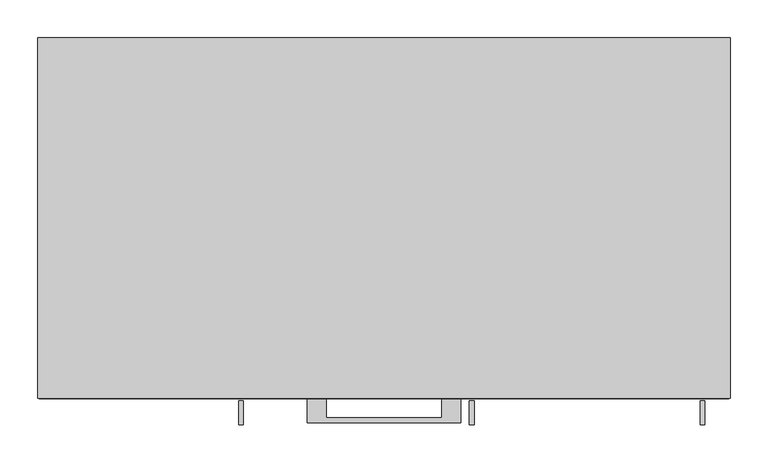
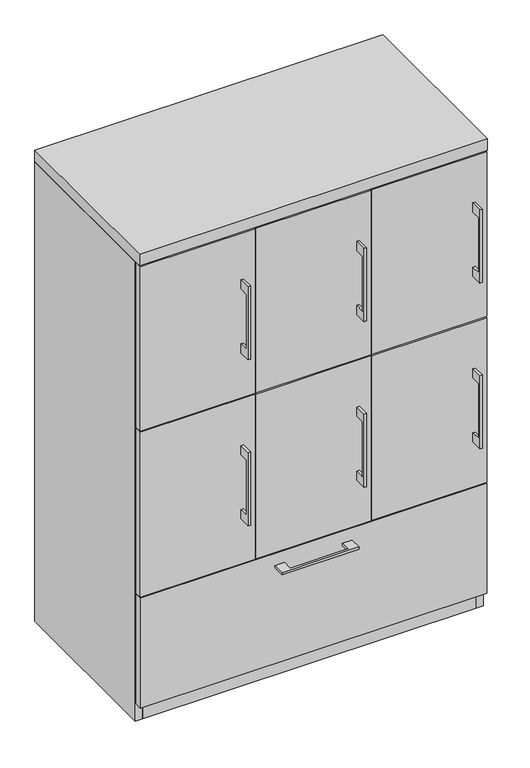
"""IFC4 building model written with IfcOpenShell, lengths in millimetres: furniture geometry."""

from ifc_helpers import new_model, si_unit, frame, origin, origin_with_axes, place, context, project, spatial, polyline, outline, extrude, source, transform, mapped, element, save


def furniture_930078ac(model_context):
    return source(origin(), model_context, "Body", "SweptSolid", [
        extrude(outline(polyline([(-479.425, 660.4), (-504.8249758, 660.4), (-504.8249758, 508.0), (-479.425, 508.0), (-479.425, 482.6), (-511.1749879, 482.6), (-511.1749879, 685.8), (-479.425, 685.8), (-479.425, 660.4)])), frame((112.7125121, 0.0, 0.0), z_axis=(1.0, 0.0, 0.0), x_axis=(0.0, 1.0, 0.0)), (0.0, 0.0, 1.0), 6.3499758),
        extrude(outline(polyline([(150.8125, -476.25), (-150.8125, -476.25), (-150.8125, -457.2), (150.8125, -457.2), (150.8125, -476.25)])), frame((0.0, 0.0, 355.6), z_axis=(0.0, 0.0, 1.0), x_axis=(1.0, 0.0, 0.0)), (0.0, 0.0, 1.0), 457.2),
        extrude(outline(polyline([(-479.425, 1120.775), (-504.8249758, 1120.775), (-504.8249758, 968.375), (-479.425, 968.375), (-479.425, 942.975), (-511.1749879, 942.975), (-511.1749879, 1146.175), (-479.425, 1146.175), (-479.425, 1120.775)])), frame((112.7125121, 0.0, 0.0), z_axis=(1.0, 0.0, 0.0), x_axis=(0.0, 1.0, 0.0)), (0.0, 0.0, 1.0), 6.3499758),
        extrude(outline(polyline([(150.8125, -476.25), (-150.8125, -476.25), (-150.8125, -457.2), (150.8125, -457.2), (150.8125, -476.25)])), frame((0.0, 0.0, 815.975), z_axis=(0.0, 0.0, 1.0), x_axis=(1.0, 0.0, 0.0)), (0.0, 0.0, 1.0), 457.2),
        extrude(outline(polyline([(-76.1999818, -476.25), (-76.1999818, -501.6499758), (76.2, -501.6499758), (76.2, -476.25), (101.5999939, -476.25), (101.5999939, -507.9999879), (-101.5999939, -507.9999879), (-101.5999939, -476.25), (-76.1999818, -476.25)])), frame((0.0, 0.0, 312.7375506), z_axis=(0.0, 0.0, 1.0), x_axis=(1.0, 0.0, 0.0)), (0.0, 0.0, 1.0), 6.3499758),
        extrude(outline(polyline([(455.6125, -457.2), (455.6125, -476.25), (-455.6125, -476.25), (-455.6125, -457.2), (455.6125, -457.2)])), frame((0.0, 0.0, 47.625), z_axis=(0.0, 0.0, 1.0), x_axis=(1.0, 0.0, 0.0)), (0.0, 0.0, 1.0), 304.8),
        extrude(outline(polyline([(-479.425, 1120.775), (-504.8249758, 1120.775), (-504.8249758, 968.375), (-479.425, 968.375), (-479.425, 942.975), (-511.1749879, 942.975), (-511.1749879, 1146.175), (-479.425, 1146.175), (-479.425, 1120.775)])), frame((417.5125121, 0.0, 0.0), z_axis=(1.0, 0.0, 0.0), x_axis=(0.0, 1.0, 0.0)), (0.0, 0.0, 1.0), 6.3499758),
        extrude(outline(polyline([(455.6125, -476.25), (153.9875, -476.25), (153.9875, -457.2), (455.6125, -457.2), (455.6125, -476.25)])), frame((0.0, 0.0, 815.975), z_axis=(0.0, 0.0, 1.0), x_axis=(1.0, 0.0, 0.0)), (0.0, 0.0, 1.0), 457.2),
        extrude(outline(polyline([(-479.425, 1120.775), (-504.8249758, 1120.775), (-504.8249758, 968.375), (-479.425, 968.375), (-479.425, 942.975), (-511.1749879, 942.975), (-511.1749879, 1146.175), (-479.425, 1146.175), (-479.425, 1120.775)])), frame((-192.0874879, 0.0, 0.0), z_axis=(1.0, 0.0, 0.0), x_axis=(0.0, 1.0, 0.0)), (0.0, 0.0, 1.0), 6.3499758),
        extrude(outline(polyline([(-153.9875, -476.25), (-455.6125, -476.25), (-455.6125, -457.2), (-153.9875, -457.2), (-153.9875, -476.25)])), frame((0.0, 0.0, 815.975), z_axis=(0.0, 0.0, 1.0), x_axis=(1.0, 0.0, 0.0)), (0.0, 0.0, 1.0), 457.2),
        extrude(outline(polyline([(-479.425, 660.4), (-504.8249758, 660.4), (-504.8249758, 508.0), (-479.425, 508.0), (-479.425, 482.6), (-511.1749879, 482.6), (-511.1749879, 685.8), (-479.425, 685.8), (-479.425, 660.4)])), frame((417.5125121, 0.0, 0.0), z_axis=(1.0, 0.0, 0.0), x_axis=(0.0, 1.0, 0.0)), (0.0, 0.0, 1.0), 6.3499758),
        extrude(outline(polyline([(455.6125, -476.25), (153.9875, -476.25), (153.9875, -457.2), (455.6125, -457.2), (455.6125, -476.25)])), frame((0.0, 0.0, 355.6), z_axis=(0.0, 0.0, 1.0), x_axis=(1.0, 0.0, 0.0)), (0.0, 0.0, 1.0), 457.2),
        extrude(outline(polyline([(-479.425, 660.4), (-504.8249758, 660.4), (-504.8249758, 508.0), (-479.425, 508.0), (-479.425, 482.6), (-511.1749879, 482.6), (-511.1749879, 685.8), (-479.425, 685.8), (-479.425, 660.4)])), frame((-192.0874879, 0.0, 0.0), z_axis=(1.0, 0.0, 0.0), x_axis=(0.0, 1.0, 0.0)), (0.0, 0.0, 1.0), 6.3499758),
        extrude(outline(polyline([(-153.9875, -476.25), (-455.6125, -476.25), (-455.6125, -457.2), (-153.9875, -457.2), (-153.9875, -476.25)])), frame((0.0, 0.0, 355.6), z_axis=(0.0, 0.0, 1.0), x_axis=(1.0, 0.0, 0.0)), (0.0, 0.0, 1.0), 457.2),
        extrude(outline(polyline([(438.15, -19.05), (438.15, -457.2), (-438.15, -457.2), (-438.15, -19.05), (438.15, -19.05)])), frame((0.0, 0.0, 352.425), z_axis=(0.0, 0.0, 1.0), x_axis=(1.0, 0.0, 0.0)), (0.0, 0.0, 1.0), 19.05),
        extrude(outline(polyline([(-142.875, -19.05), (-142.875, -457.2), (-161.925, -457.2), (-161.925, -19.05), (-142.875, -19.05)])), frame((0.0, 0.0, 371.475), z_axis=(0.0, 0.0, 1.0), x_axis=(1.0, 0.0, 0.0)), (0.0, 0.0, 1.0), 904.875),
        extrude(outline(polyline([(161.925, -19.05), (161.925, -457.2), (142.875, -457.2), (142.875, -19.05), (161.925, -19.05)])), frame((0.0, 0.0, 371.475), z_axis=(0.0, 0.0, 1.0), x_axis=(1.0, 0.0, 0.0)), (0.0, 0.0, 1.0), 904.875),
        extrude(outline(polyline([(438.15, -19.05), (438.15, -457.2), (-438.15, -457.2), (-438.15, -19.05), (438.15, -19.05)])), origin_with_axes(), (0.0, 0.0, 1.0), 47.625),
        extrude(outline(polyline([(457.2, 0.0), (457.2, -476.25), (-457.2, -476.25), (-457.2, 0.0), (457.2, 0.0)])), frame((0.0, 0.0, 1276.35), z_axis=(0.0, 0.0, 1.0), x_axis=(1.0, 0.0, 0.0)), (0.0, 0.0, 1.0), 31.75),
        extrude(outline(polyline([(457.2, 0.0), (457.2, -457.2), (438.15, -457.2), (438.15, -19.05), (-438.15, -19.05), (-438.15, -457.2), (-457.2, -457.2), (-457.2, 0.0), (457.2, 0.0)])), origin_with_axes(), (0.0, 0.0, 1.0), 1276.35),
    ])


if __name__ == "__main__":
    model = new_model("IFC4")
    model_context = context("Model", 3, world=origin())
    ifc_project = project(units=[si_unit("LENGTHUNIT", "METRE", prefix="MILLI")], contexts=[model_context])
    site = spatial("IfcSite", under=ifc_project)
    building = spatial("IfcBuilding", under=site)
    placement = place(None, origin())
    furniture_shape = furniture_930078ac(model_context)
    element("IfcFurniture", 1, at=placement, inside=building, context=model_context, shape_type="MappedRepresentation", body=[
        mapped(furniture_shape, transform((0.0, 0.0, 0.0), x_axis=(1.0, 0.0, 0.0), y_axis=(0.0, 1.0, 0.0), z_axis=(0.0, 0.0, 1.0))),
    ])
    save(model, "model.ifc")
